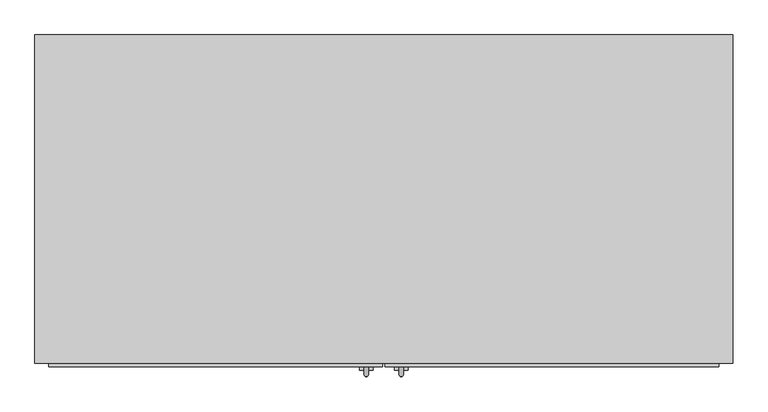
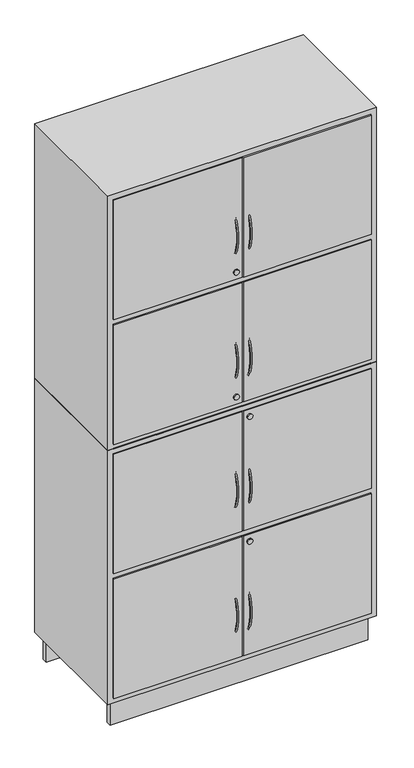
"""IFC4 building model written with IfcOpenShell, lengths in millimetres: furniture geometry."""

from ifc_helpers import new_model, si_unit, point, frame, frame_2d, origin, origin_with_axes, place, context, project, spatial, polyline, circle_curve, ellipse_curve, trimmed, segment, composite_curve, outline, extrude, faceted_brep, source, transform, mapped, element, save
from ifc_brep_helpers import plane_surface, revolved_surface, advanced_brep


def furniture_a5355870(model_context):
    return source(origin(), model_context, "Body", "SolidModel", [
        advanced_brep(
        [(-28.0, -0.3625139, 860.7580531), (-22.0, -0.3625139, 860.7580531), (-28.0, -0.3625139, 699.2419469), (-22.0, -0.3625139, 699.2419469)],
        [
            (0, 1, circle_curve(frame((-25.0, -0.3625139, 860.7580531), z_axis=(0.0, 0.49999999999998535, 0.8660254037844471), x_axis=(1.0, 0.0, 0.0)), 3.0)),
            (1, 0, circle_curve(frame((-25.0, -0.3625139, 860.7580531), z_axis=(0.0, 0.49999999999998535, 0.8660254037844471), x_axis=(1.0, 0.0, 0.0)), 3.0)),
            (2, 3, circle_curve(frame((-25.0, -0.3625139, 699.2419469), z_axis=(0.0, 0.5000000000000137, -0.8660254037844308), x_axis=(1.0, 0.0, 0.0)), 3.0)),
            (3, 2, circle_curve(frame((-25.0, -0.3625139, 699.2419469), z_axis=(0.0, 0.5000000000000137, -0.8660254037844308), x_axis=(1.0, 0.0, 0.0)), 3.0)),
            (3, 1, circle_curve(frame((-22.0, 139.5145372, 780.0), z_axis=(-1.0, 0.0, 0.0), x_axis=(0.0, -0.8660254037844471, 0.49999999999998535)), 161.5161063)),
            (0, 2, circle_curve(frame((-28.0, 139.5145372, 780.0), z_axis=(1.0, 0.0, 0.0), x_axis=(0.0, -0.8660254037844471, 0.49999999999998535)), 161.5161063)),
        ],
        [
            plane_surface(frame((0.0, -0.3625139, 860.7580531), z_axis=(0.0, 0.49999999999998535, 0.8660254037844471), x_axis=(1.0, 0.0, 0.0))),
            plane_surface(frame((0.0, -0.3625139, 699.2419469), z_axis=(0.0, 0.5000000000000135, -0.8660254037844308), x_axis=(1.0, 0.0, 0.0))),
            revolved_surface(trimmed(ellipse_curve(frame((-25.0, -0.3625139, 860.7580531), z_axis=(0.0, 0.49999999999998535, 0.8660254037844471), x_axis=(1.0, 0.0, 0.0)), 3.0, 3.0), [point((-28.0, -0.3625139, 860.7580531))], [point((-22.0, -0.3625139, 860.7580531))], True, "CARTESIAN"), (0.0, 139.5145372, 780.0), (1.0, 0.0, 0.0)),
            revolved_surface(trimmed(ellipse_curve(frame((-25.0, -0.3625139, 860.7580531), z_axis=(0.0, 0.49999999999998535, 0.8660254037844471), x_axis=(1.0, 0.0, 0.0)), 3.0, 3.0), [point((-22.0, -0.3625139, 860.7580531))], [point((-28.0, -0.3625139, 860.7580531))], True, "CARTESIAN"), (0.0, 139.5145372, 780.0), (1.0, 0.0, 0.0)),
        ],
        [
            (0, [[1, 2]]),
            (1, [[3, 4]]),
            (2, [[5, -1, 6, -4]]),
            (3, [[-6, -2, -5, -3]]),
        ],
    ),
        advanced_brep(
        [(22.0, -0.3625139, 860.7580531), (28.0, -0.3625139, 860.7580531), (22.0, -0.3625139, 699.2419469), (28.0, -0.3625139, 699.2419469)],
        [
            (0, 1, circle_curve(frame((25.0, -0.3625139, 860.7580531), z_axis=(0.0, 0.49999999999998535, 0.8660254037844471), x_axis=(1.0, 0.0, 0.0)), 3.0)),
            (1, 0, circle_curve(frame((25.0, -0.3625139, 860.7580531), z_axis=(0.0, 0.49999999999998535, 0.8660254037844471), x_axis=(1.0, 0.0, 0.0)), 3.0)),
            (2, 3, circle_curve(frame((25.0, -0.3625139, 699.2419469), z_axis=(0.0, 0.5000000000000137, -0.8660254037844308), x_axis=(1.0, 0.0, 0.0)), 3.0)),
            (3, 2, circle_curve(frame((25.0, -0.3625139, 699.2419469), z_axis=(0.0, 0.5000000000000137, -0.8660254037844308), x_axis=(1.0, 0.0, 0.0)), 3.0)),
            (3, 1, circle_curve(frame((28.0, 139.5145372, 780.0), z_axis=(-1.0, 0.0, 0.0), x_axis=(0.0, -0.8660254037844471, 0.49999999999998535)), 161.5161063)),
            (0, 2, circle_curve(frame((22.0, 139.5145372, 780.0), z_axis=(1.0, 0.0, 0.0), x_axis=(0.0, -0.8660254037844471, 0.49999999999998535)), 161.5161063)),
        ],
        [
            plane_surface(frame((0.0, -0.3625139, 860.7580531), z_axis=(0.0, 0.49999999999998535, 0.8660254037844471), x_axis=(1.0, 0.0, 0.0))),
            plane_surface(frame((0.0, -0.3625139, 699.2419469), z_axis=(0.0, 0.5000000000000135, -0.8660254037844308), x_axis=(1.0, 0.0, 0.0))),
            revolved_surface(trimmed(ellipse_curve(frame((25.0, -0.3625139, 860.7580531), z_axis=(0.0, 0.49999999999998535, 0.8660254037844471), x_axis=(1.0, 0.0, 0.0)), 3.0, 3.0), [point((22.0, -0.3625139, 860.7580531))], [point((28.0, -0.3625139, 860.7580531))], True, "CARTESIAN"), (0.0, 139.5145372, 780.0), (1.0, 0.0, 0.0)),
            revolved_surface(trimmed(ellipse_curve(frame((25.0, -0.3625139, 860.7580531), z_axis=(0.0, 0.49999999999998535, 0.8660254037844471), x_axis=(1.0, 0.0, 0.0)), 3.0, 3.0), [point((28.0, -0.3625139, 860.7580531))], [point((22.0, -0.3625139, 860.7580531))], True, "CARTESIAN"), (0.0, 139.5145372, 780.0), (1.0, 0.0, 0.0)),
        ],
        [
            (0, [[1, 2]]),
            (1, [[3, 4]]),
            (2, [[5, -1, 6, -4]]),
            (3, [[-6, -2, -5, -3]]),
        ],
    ),
        advanced_brep(
        [(-28.0, -0.3625139, 1859.7580531), (-22.0, -0.3625139, 1859.7580531), (-28.0, -0.3625139, 1698.2419469), (-22.0, -0.3625139, 1698.2419469)],
        [
            (0, 1, circle_curve(frame((-25.0, -0.3625139, 1859.7580531), z_axis=(0.0, 0.49999999999998535, 0.8660254037844471), x_axis=(1.0, 0.0, 0.0)), 3.0)),
            (1, 0, circle_curve(frame((-25.0, -0.3625139, 1859.7580531), z_axis=(0.0, 0.49999999999998535, 0.8660254037844471), x_axis=(1.0, 0.0, 0.0)), 3.0)),
            (2, 3, circle_curve(frame((-25.0, -0.3625139, 1698.2419469), z_axis=(0.0, 0.5000000000000137, -0.8660254037844308), x_axis=(1.0, 0.0, 0.0)), 3.0)),
            (3, 2, circle_curve(frame((-25.0, -0.3625139, 1698.2419469), z_axis=(0.0, 0.5000000000000137, -0.8660254037844308), x_axis=(1.0, 0.0, 0.0)), 3.0)),
            (3, 1, circle_curve(frame((-22.0, 139.5145372, 1779.0), z_axis=(-1.0, 0.0, 0.0), x_axis=(0.0, -0.8660254037844471, 0.49999999999998535)), 161.5161063)),
            (0, 2, circle_curve(frame((-28.0, 139.5145372, 1779.0), z_axis=(1.0, 0.0, 0.0), x_axis=(0.0, -0.8660254037844471, 0.49999999999998535)), 161.5161063)),
        ],
        [
            plane_surface(frame((0.0, -0.3625139, 1859.7580531), z_axis=(0.0, 0.49999999999998535, 0.8660254037844471), x_axis=(1.0, 0.0, 0.0))),
            plane_surface(frame((0.0, -0.3625139, 1698.2419469), z_axis=(0.0, 0.5000000000000135, -0.8660254037844308), x_axis=(1.0, 0.0, 0.0))),
            revolved_surface(trimmed(ellipse_curve(frame((-25.0, -0.3625139, 1859.7580531), z_axis=(0.0, 0.49999999999998535, 0.8660254037844471), x_axis=(1.0, 0.0, 0.0)), 3.0, 3.0), [point((-28.0, -0.3625139, 1859.7580531))], [point((-22.0, -0.3625139, 1859.7580531))], True, "CARTESIAN"), (0.0, 139.5145372, 1779.0), (1.0, 0.0, 0.0)),
            revolved_surface(trimmed(ellipse_curve(frame((-25.0, -0.3625139, 1859.7580531), z_axis=(0.0, 0.49999999999998535, 0.8660254037844471), x_axis=(1.0, 0.0, 0.0)), 3.0, 3.0), [point((-22.0, -0.3625139, 1859.7580531))], [point((-28.0, -0.3625139, 1859.7580531))], True, "CARTESIAN"), (0.0, 139.5145372, 1779.0), (1.0, 0.0, 0.0)),
        ],
        [
            (0, [[1, 2]]),
            (1, [[3, 4]]),
            (2, [[5, -1, 6, -4]]),
            (3, [[-6, -2, -5, -3]]),
        ],
    ),
        advanced_brep(
        [(22.0, -0.3625139, 1859.7580531), (28.0, -0.3625139, 1859.7580531), (22.0, -0.3625139, 1698.2419469), (28.0, -0.3625139, 1698.2419469)],
        [
            (0, 1, circle_curve(frame((25.0, -0.3625139, 1859.7580531), z_axis=(0.0, 0.49999999999998535, 0.8660254037844471), x_axis=(1.0, 0.0, 0.0)), 3.0)),
            (1, 0, circle_curve(frame((25.0, -0.3625139, 1859.7580531), z_axis=(0.0, 0.49999999999998535, 0.8660254037844471), x_axis=(1.0, 0.0, 0.0)), 3.0)),
            (2, 3, circle_curve(frame((25.0, -0.3625139, 1698.2419469), z_axis=(0.0, 0.5000000000000137, -0.8660254037844308), x_axis=(1.0, 0.0, 0.0)), 3.0)),
            (3, 2, circle_curve(frame((25.0, -0.3625139, 1698.2419469), z_axis=(0.0, 0.5000000000000137, -0.8660254037844308), x_axis=(1.0, 0.0, 0.0)), 3.0)),
            (3, 1, circle_curve(frame((28.0, 139.5145372, 1779.0), z_axis=(-1.0, 0.0, 0.0), x_axis=(0.0, -0.8660254037844471, 0.49999999999998535)), 161.5161063)),
            (0, 2, circle_curve(frame((22.0, 139.5145372, 1779.0), z_axis=(1.0, 0.0, 0.0), x_axis=(0.0, -0.8660254037844471, 0.49999999999998535)), 161.5161063)),
        ],
        [
            plane_surface(frame((0.0, -0.3625139, 1859.7580531), z_axis=(0.0, 0.49999999999998535, 0.8660254037844471), x_axis=(1.0, 0.0, 0.0))),
            plane_surface(frame((0.0, -0.3625139, 1698.2419469), z_axis=(0.0, 0.5000000000000135, -0.8660254037844308), x_axis=(1.0, 0.0, 0.0))),
            revolved_surface(trimmed(ellipse_curve(frame((25.0, -0.3625139, 1859.7580531), z_axis=(0.0, 0.49999999999998535, 0.8660254037844471), x_axis=(1.0, 0.0, 0.0)), 3.0, 3.0), [point((22.0, -0.3625139, 1859.7580531))], [point((28.0, -0.3625139, 1859.7580531))], True, "CARTESIAN"), (0.0, 139.5145372, 1779.0), (1.0, 0.0, 0.0)),
            revolved_surface(trimmed(ellipse_curve(frame((25.0, -0.3625139, 1859.7580531), z_axis=(0.0, 0.49999999999998535, 0.8660254037844471), x_axis=(1.0, 0.0, 0.0)), 3.0, 3.0), [point((28.0, -0.3625139, 1859.7580531))], [point((22.0, -0.3625139, 1859.7580531))], True, "CARTESIAN"), (0.0, 139.5145372, 1779.0), (1.0, 0.0, 0.0)),
        ],
        [
            (0, [[1, 2]]),
            (1, [[3, 4]]),
            (2, [[5, -1, 6, -4]]),
            (3, [[-6, -2, -5, -3]]),
        ],
    ),
        advanced_brep(
        [(-28.0, -0.3625139, 1368.7580531), (-22.0, -0.3625139, 1368.7580531), (-28.0, -0.3625139, 1207.2419469), (-22.0, -0.3625139, 1207.2419469)],
        [
            (0, 1, circle_curve(frame((-25.0, -0.3625139, 1368.7580531), z_axis=(0.0, 0.49999999999998535, 0.8660254037844471), x_axis=(1.0, 0.0, 0.0)), 3.0)),
            (1, 0, circle_curve(frame((-25.0, -0.3625139, 1368.7580531), z_axis=(0.0, 0.49999999999998535, 0.8660254037844471), x_axis=(1.0, 0.0, 0.0)), 3.0)),
            (2, 3, circle_curve(frame((-25.0, -0.3625139, 1207.2419469), z_axis=(0.0, 0.5000000000000137, -0.8660254037844308), x_axis=(1.0, 0.0, 0.0)), 3.0)),
            (3, 2, circle_curve(frame((-25.0, -0.3625139, 1207.2419469), z_axis=(0.0, 0.5000000000000137, -0.8660254037844308), x_axis=(1.0, 0.0, 0.0)), 3.0)),
            (3, 1, circle_curve(frame((-22.0, 139.5145372, 1288.0), z_axis=(-1.0, 0.0, 0.0), x_axis=(0.0, -0.8660254037844471, 0.49999999999998535)), 161.5161063)),
            (0, 2, circle_curve(frame((-28.0, 139.5145372, 1288.0), z_axis=(1.0, 0.0, 0.0), x_axis=(0.0, -0.8660254037844471, 0.49999999999998535)), 161.5161063)),
        ],
        [
            plane_surface(frame((0.0, -0.3625139, 1368.7580531), z_axis=(0.0, 0.49999999999998535, 0.8660254037844471), x_axis=(1.0, 0.0, 0.0))),
            plane_surface(frame((0.0, -0.3625139, 1207.2419469), z_axis=(0.0, 0.5000000000000135, -0.8660254037844308), x_axis=(1.0, 0.0, 0.0))),
            revolved_surface(trimmed(ellipse_curve(frame((-25.0, -0.3625139, 1368.7580531), z_axis=(0.0, 0.49999999999998535, 0.8660254037844471), x_axis=(1.0, 0.0, 0.0)), 3.0, 3.0), [point((-28.0, -0.3625139, 1368.7580531))], [point((-22.0, -0.3625139, 1368.7580531))], True, "CARTESIAN"), (0.0, 139.5145372, 1288.0), (1.0, 0.0, 0.0)),
            revolved_surface(trimmed(ellipse_curve(frame((-25.0, -0.3625139, 1368.7580531), z_axis=(0.0, 0.49999999999998535, 0.8660254037844471), x_axis=(1.0, 0.0, 0.0)), 3.0, 3.0), [point((-22.0, -0.3625139, 1368.7580531))], [point((-28.0, -0.3625139, 1368.7580531))], True, "CARTESIAN"), (0.0, 139.5145372, 1288.0), (1.0, 0.0, 0.0)),
        ],
        [
            (0, [[1, 2]]),
            (1, [[3, 4]]),
            (2, [[5, -1, 6, -4]]),
            (3, [[-6, -2, -5, -3]]),
        ],
    ),
        advanced_brep(
        [(22.0, -0.3625139, 1368.7580531), (28.0, -0.3625139, 1368.7580531), (22.0, -0.3625139, 1207.2419469), (28.0, -0.3625139, 1207.2419469)],
        [
            (0, 1, circle_curve(frame((25.0, -0.3625139, 1368.7580531), z_axis=(0.0, 0.49999999999998535, 0.8660254037844471), x_axis=(1.0, 0.0, 0.0)), 3.0)),
            (1, 0, circle_curve(frame((25.0, -0.3625139, 1368.7580531), z_axis=(0.0, 0.49999999999998535, 0.8660254037844471), x_axis=(1.0, 0.0, 0.0)), 3.0)),
            (2, 3, circle_curve(frame((25.0, -0.3625139, 1207.2419469), z_axis=(0.0, 0.5000000000000137, -0.8660254037844308), x_axis=(1.0, 0.0, 0.0)), 3.0)),
            (3, 2, circle_curve(frame((25.0, -0.3625139, 1207.2419469), z_axis=(0.0, 0.5000000000000137, -0.8660254037844308), x_axis=(1.0, 0.0, 0.0)), 3.0)),
            (3, 1, circle_curve(frame((28.0, 139.5145372, 1288.0), z_axis=(-1.0, 0.0, 0.0), x_axis=(0.0, -0.8660254037844471, 0.49999999999998535)), 161.5161063)),
            (0, 2, circle_curve(frame((22.0, 139.5145372, 1288.0), z_axis=(1.0, 0.0, 0.0), x_axis=(0.0, -0.8660254037844471, 0.49999999999998535)), 161.5161063)),
        ],
        [
            plane_surface(frame((0.0, -0.3625139, 1368.7580531), z_axis=(0.0, 0.49999999999998535, 0.8660254037844471), x_axis=(1.0, 0.0, 0.0))),
            plane_surface(frame((0.0, -0.3625139, 1207.2419469), z_axis=(0.0, 0.5000000000000135, -0.8660254037844308), x_axis=(1.0, 0.0, 0.0))),
            revolved_surface(trimmed(ellipse_curve(frame((25.0, -0.3625139, 1368.7580531), z_axis=(0.0, 0.49999999999998535, 0.8660254037844471), x_axis=(1.0, 0.0, 0.0)), 3.0, 3.0), [point((22.0, -0.3625139, 1368.7580531))], [point((28.0, -0.3625139, 1368.7580531))], True, "CARTESIAN"), (0.0, 139.5145372, 1288.0), (1.0, 0.0, 0.0)),
            revolved_surface(trimmed(ellipse_curve(frame((25.0, -0.3625139, 1368.7580531), z_axis=(0.0, 0.49999999999998535, 0.8660254037844471), x_axis=(1.0, 0.0, 0.0)), 3.0, 3.0), [point((28.0, -0.3625139, 1368.7580531))], [point((22.0, -0.3625139, 1368.7580531))], True, "CARTESIAN"), (0.0, 139.5145372, 1288.0), (1.0, 0.0, 0.0)),
        ],
        [
            (0, [[1, 2]]),
            (1, [[3, 4]]),
            (2, [[5, -1, 6, -4]]),
            (3, [[-6, -2, -5, -3]]),
        ],
    ),
        advanced_brep(
        [(-28.0, -0.3625139, 369.7580531), (-22.0, -0.3625139, 369.7580531), (-28.0, -0.3625139, 208.2419469), (-22.0, -0.3625139, 208.2419469)],
        [
            (0, 1, circle_curve(frame((-25.0, -0.3625139, 369.7580531), z_axis=(0.0, 0.49999999999998535, 0.8660254037844471), x_axis=(1.0, 0.0, 0.0)), 3.0)),
            (1, 0, circle_curve(frame((-25.0, -0.3625139, 369.7580531), z_axis=(0.0, 0.49999999999998535, 0.8660254037844471), x_axis=(1.0, 0.0, 0.0)), 3.0)),
            (2, 3, circle_curve(frame((-25.0, -0.3625139, 208.2419469), z_axis=(0.0, 0.5000000000000137, -0.8660254037844308), x_axis=(1.0, 0.0, 0.0)), 3.0)),
            (3, 2, circle_curve(frame((-25.0, -0.3625139, 208.2419469), z_axis=(0.0, 0.5000000000000137, -0.8660254037844308), x_axis=(1.0, 0.0, 0.0)), 3.0)),
            (3, 1, circle_curve(frame((-22.0, 139.5145372, 289.0), z_axis=(-1.0, 0.0, 0.0), x_axis=(0.0, -0.8660254037844471, 0.49999999999998535)), 161.5161063)),
            (0, 2, circle_curve(frame((-28.0, 139.5145372, 289.0), z_axis=(1.0, 0.0, 0.0), x_axis=(0.0, -0.8660254037844471, 0.49999999999998535)), 161.5161063)),
        ],
        [
            plane_surface(frame((0.0, -0.3625139, 369.7580531), z_axis=(0.0, 0.49999999999998535, 0.8660254037844471), x_axis=(1.0, 0.0, 0.0))),
            plane_surface(frame((0.0, -0.3625139, 208.2419469), z_axis=(0.0, 0.5000000000000135, -0.8660254037844308), x_axis=(1.0, 0.0, 0.0))),
            revolved_surface(trimmed(ellipse_curve(frame((-25.0, -0.3625139, 369.7580531), z_axis=(0.0, 0.49999999999998535, 0.8660254037844471), x_axis=(1.0, 0.0, 0.0)), 3.0, 3.0), [point((-28.0, -0.3625139, 369.7580531))], [point((-22.0, -0.3625139, 369.7580531))], True, "CARTESIAN"), (0.0, 139.5145372, 289.0), (1.0, 0.0, 0.0)),
            revolved_surface(trimmed(ellipse_curve(frame((-25.0, -0.3625139, 369.7580531), z_axis=(0.0, 0.49999999999998535, 0.8660254037844471), x_axis=(1.0, 0.0, 0.0)), 3.0, 3.0), [point((-22.0, -0.3625139, 369.7580531))], [point((-28.0, -0.3625139, 369.7580531))], True, "CARTESIAN"), (0.0, 139.5145372, 289.0), (1.0, 0.0, 0.0)),
        ],
        [
            (0, [[1, 2]]),
            (1, [[3, 4]]),
            (2, [[5, -1, 6, -4]]),
            (3, [[-6, -2, -5, -3]]),
        ],
    ),
        advanced_brep(
        [(22.0, -0.3625139, 369.7580531), (28.0, -0.3625139, 369.7580531), (22.0, -0.3625139, 208.2419469), (28.0, -0.3625139, 208.2419469)],
        [
            (0, 1, circle_curve(frame((25.0, -0.3625139, 369.7580531), z_axis=(0.0, 0.49999999999998535, 0.8660254037844471), x_axis=(1.0, 0.0, 0.0)), 3.0)),
            (1, 0, circle_curve(frame((25.0, -0.3625139, 369.7580531), z_axis=(0.0, 0.49999999999998535, 0.8660254037844471), x_axis=(1.0, 0.0, 0.0)), 3.0)),
            (2, 3, circle_curve(frame((25.0, -0.3625139, 208.2419469), z_axis=(0.0, 0.5000000000000137, -0.8660254037844308), x_axis=(1.0, 0.0, 0.0)), 3.0)),
            (3, 2, circle_curve(frame((25.0, -0.3625139, 208.2419469), z_axis=(0.0, 0.5000000000000137, -0.8660254037844308), x_axis=(1.0, 0.0, 0.0)), 3.0)),
            (3, 1, circle_curve(frame((28.0, 139.5145372, 289.0), z_axis=(-1.0, 0.0, 0.0), x_axis=(0.0, -0.8660254037844471, 0.49999999999998535)), 161.5161063)),
            (0, 2, circle_curve(frame((22.0, 139.5145372, 289.0), z_axis=(1.0, 0.0, 0.0), x_axis=(0.0, -0.8660254037844471, 0.49999999999998535)), 161.5161063)),
        ],
        [
            plane_surface(frame((0.0, -0.3625139, 369.7580531), z_axis=(0.0, 0.49999999999998535, 0.8660254037844471), x_axis=(1.0, 0.0, 0.0))),
            plane_surface(frame((0.0, -0.3625139, 208.2419469), z_axis=(0.0, 0.5000000000000135, -0.8660254037844308), x_axis=(1.0, 0.0, 0.0))),
            revolved_surface(trimmed(ellipse_curve(frame((25.0, -0.3625139, 369.7580531), z_axis=(0.0, 0.49999999999998535, 0.8660254037844471), x_axis=(1.0, 0.0, 0.0)), 3.0, 3.0), [point((22.0, -0.3625139, 369.7580531))], [point((28.0, -0.3625139, 369.7580531))], True, "CARTESIAN"), (0.0, 139.5145372, 289.0), (1.0, 0.0, 0.0)),
            revolved_surface(trimmed(ellipse_curve(frame((25.0, -0.3625139, 369.7580531), z_axis=(0.0, 0.49999999999998535, 0.8660254037844471), x_axis=(1.0, 0.0, 0.0)), 3.0, 3.0), [point((28.0, -0.3625139, 369.7580531))], [point((22.0, -0.3625139, 369.7580531))], True, "CARTESIAN"), (0.0, 139.5145372, 289.0), (1.0, 0.0, 0.0)),
        ],
        [
            (0, [[1, 2]]),
            (1, [[3, 4]]),
            (2, [[5, -1, 6, -4]]),
            (3, [[-6, -2, -5, -3]]),
        ],
    ),
        faceted_brep([(-480.0, 452.9252377, 1097.5), (480.0, 452.9252377, 1097.5), (480.0, 452.9252377, 1100.0), (-480.0, 452.9252377, 1100.0), (-480.0, -5.0, 1097.5), (-480.0, -5.0, 1100.0), (480.0, -5.0, 1097.5), (480.0, -5.0, 1100.0), (500.0, 465.0, 1100.0), (-500.0, 465.0, 1100.0), (-500.0, -5.0, 1100.0), (500.0, -5.0, 1100.0), (500.0, 465.0, 100.0), (500.0, -5.0, 100.0), (-500.0, -5.0, 100.0), (-500.0, 465.0, 100.0), (-480.0018728, -5.0, 119.875), (-480.0018728, -5.0, 589.875), (479.9981272, -5.0, 589.875), (479.9981272, -5.0, 119.875), (479.9981272, -5.0, 610.875), (-480.0018728, -5.0, 610.875), (-480.0018728, -5.0, 1080.875), (479.9981272, -5.0, 1080.875), (-450.0, 452.9252377, 589.875), (-450.0, 452.9252377, 119.875), (450.0, 452.9252377, 119.875), (450.0, 452.9252377, 589.875), (-450.0, 445.0, 589.875), (-450.0, 445.0, 119.875), (-480.0018728, 445.0, 119.875), (479.9981272, 445.0, 119.875), (450.0, 445.0, 119.875), (450.0, 445.0, 589.875), (479.9981272, 445.0, 589.875), (-480.0018728, 445.0, 589.875), (-450.0, 452.9252377, 1080.875), (-450.0, 452.9252377, 610.875), (450.0, 452.9252377, 610.875), (450.0, 452.9252377, 1080.875), (-450.0, 445.0, 1080.875), (-450.0, 445.0, 610.875), (-480.0018728, 445.0, 610.875), (479.9981272, 445.0, 610.875), (450.0, 445.0, 610.875), (450.0, 445.0, 1080.875), (479.9981272, 445.0, 1080.875), (-480.0018728, 445.0, 1080.875)], [[[0, 1, 2, 3]], [[4, 0, 3, 5]], [[1, 0, 4, 6]], [[1, 6, 7, 2]], [[8, 9, 10, 5, 3, 2, 7, 11]], [[12, 13, 14, 15]], [[9, 8, 12, 15]], [[10, 9, 15, 14]], [[14, 13, 11, 7, 6, 4, 5, 10], [16, 17, 18, 19], [20, 21, 22, 23]], [[8, 11, 13, 12]], [[24, 25, 26, 27]], [[25, 24, 28, 29]], [[26, 25, 29, 30, 16, 19, 31, 32]], [[27, 26, 32, 33]], [[24, 27, 33, 34, 18, 17, 35, 28]], [[36, 37, 38, 39]], [[37, 36, 40, 41]], [[38, 37, 41, 42, 21, 20, 43, 44]], [[39, 38, 44, 45]], [[36, 39, 45, 46, 23, 22, 47, 40]], [[35, 30, 29, 28]], [[34, 33, 32, 31]], [[30, 35, 17, 16]], [[34, 31, 19, 18]], [[47, 42, 41, 40]], [[46, 45, 44, 43]], [[42, 47, 22, 21]], [[46, 43, 20, 23]]]),
        extrude(outline(polyline([(480.0, 425.0), (-480.0, 425.0), (-480.0, 445.0), (480.0, 445.0), (480.0, 425.0)])), origin_with_axes(), (0.0, 0.0, 1.0), 100.0),
        extrude(outline(polyline([(480.0, 35.0), (480.0, 15.0), (-480.0, 15.0), (-480.0, 35.0), (480.0, 35.0)])), origin_with_axes(), (0.0, 0.0, 1.0), 100.0),
        extrude(outline(composite_curve([segment(trimmed(circle_curve(frame_2d((1639.9306853, -25.0)), 9.75), [point((1639.9306853, -34.75))], [point((1639.9306853, -15.25))], False, "CARTESIAN"), True, "CONTINUOUS"), segment(trimmed(circle_curve(frame_2d((1639.9306853, -25.0)), 9.75), [point((1639.9306853, -15.25))], [point((1639.9306853, -34.75))], False, "CARTESIAN"), True, "CONTINUOUS")], self_intersect=False)), frame((0.0, -15.0, 0.0), z_axis=(0.0, 1.0, 0.0), x_axis=(0.0, 0.0, 1.0)), (0.0, 0.0, 1.0), 5.0),
        extrude(outline(composite_curve([segment(trimmed(circle_curve(frame_2d((1148.9306853, -25.0)), 9.75), [point((1148.9306853, -34.75))], [point((1148.9306853, -15.25))], False, "CARTESIAN"), True, "CONTINUOUS"), segment(trimmed(circle_curve(frame_2d((1148.9306853, -25.0)), 9.75), [point((1148.9306853, -15.25))], [point((1148.9306853, -34.75))], False, "CARTESIAN"), True, "CONTINUOUS")], self_intersect=False)), frame((0.0, -15.0, 0.0), z_axis=(0.0, 1.0, 0.0), x_axis=(0.0, 0.0, 1.0)), (0.0, 0.0, 1.0), 5.0),
        extrude(outline(composite_curve([segment(trimmed(circle_curve(frame_2d((1054.9306853, 25.0)), 9.75), [point((1054.9306853, 15.25))], [point((1054.9306853, 34.75))], False, "CARTESIAN"), True, "CONTINUOUS"), segment(trimmed(circle_curve(frame_2d((1054.9306853, 25.0)), 9.75), [point((1054.9306853, 34.75))], [point((1054.9306853, 15.25))], False, "CARTESIAN"), True, "CONTINUOUS")], self_intersect=False)), frame((0.0, -15.0, 0.0), z_axis=(0.0, 1.0, 0.0), x_axis=(0.0, 0.0, 1.0)), (0.0, 0.0, 1.0), 5.0),
        extrude(outline(composite_curve([segment(trimmed(circle_curve(frame_2d((563.9306853, 25.0)), 9.75), [point((563.9306853, 15.25))], [point((563.9306853, 34.75))], False, "CARTESIAN"), True, "CONTINUOUS"), segment(trimmed(circle_curve(frame_2d((563.9306853, 25.0)), 9.75), [point((563.9306853, 34.75))], [point((563.9306853, 15.25))], False, "CARTESIAN"), True, "CONTINUOUS")], self_intersect=False)), frame((0.0, -15.0, 0.0), z_axis=(0.0, 1.0, 0.0), x_axis=(0.0, 0.0, 1.0)), (0.0, 0.0, 1.0), 5.0),
        extrude(outline(polyline([(-2.0, -10.0), (-480.0, -10.0), (-480.0, -5.0), (-2.0, -5.0), (-2.0, -10.0)])), frame((0.0, 0.0, 1609.875), z_axis=(0.0, 0.0, 1.0), x_axis=(1.0, 0.0, 0.0)), (0.0, 0.0, 1.0), 470.0),
        extrude(outline(polyline([(480.0, -10.0), (2.0, -10.0), (2.0, -5.0), (480.0, -5.0), (480.0, -10.0)])), frame((0.0, 0.0, 1609.875), z_axis=(0.0, 0.0, 1.0), x_axis=(1.0, 0.0, 0.0)), (0.0, 0.0, 1.0), 470.0),
        extrude(outline(polyline([(-2.0, -10.0), (-480.0, -10.0), (-480.0, -5.0), (-2.0, -5.0), (-2.0, -10.0)])), frame((0.0, 0.0, 1118.875), z_axis=(0.0, 0.0, 1.0), x_axis=(1.0, 0.0, 0.0)), (0.0, 0.0, 1.0), 470.0),
        extrude(outline(polyline([(480.0, -10.0), (2.0, -10.0), (2.0, -5.0), (480.0, -5.0), (480.0, -10.0)])), frame((0.0, 0.0, 1118.875), z_axis=(0.0, 0.0, 1.0), x_axis=(1.0, 0.0, 0.0)), (0.0, 0.0, 1.0), 470.0),
        extrude(outline(polyline([(-2.0, -10.0), (-480.0, -10.0), (-480.0, -5.0), (-2.0, -5.0), (-2.0, -10.0)])), frame((0.0, 0.0, 119.875), z_axis=(0.0, 0.0, 1.0), x_axis=(1.0, 0.0, 0.0)), (0.0, 0.0, 1.0), 470.0),
        extrude(outline(polyline([(480.0, -10.0), (2.0, -10.0), (2.0, -5.0), (480.0, -5.0), (480.0, -10.0)])), frame((0.0, 0.0, 119.875), z_axis=(0.0, 0.0, 1.0), x_axis=(1.0, 0.0, 0.0)), (0.0, 0.0, 1.0), 470.0),
        extrude(outline(polyline([(-2.0, -10.0), (-480.0, -10.0), (-480.0, -5.0), (-2.0, -5.0), (-2.0, -10.0)])), frame((0.0, 0.0, 610.875), z_axis=(0.0, 0.0, 1.0), x_axis=(1.0, 0.0, 0.0)), (0.0, 0.0, 1.0), 470.0),
        extrude(outline(polyline([(480.0, -10.0), (2.0, -10.0), (2.0, -5.0), (480.0, -5.0), (480.0, -10.0)])), frame((0.0, 0.0, 610.875), z_axis=(0.0, 0.0, 1.0), x_axis=(1.0, 0.0, 0.0)), (0.0, 0.0, 1.0), 470.0),
        faceted_brep([(500.0, 465.0, 2100.0), (-500.0, 465.0, 2100.0), (-500.0, -5.0, 2100.0), (500.0, -5.0, 2100.0), (500.0, 465.0, 1100.0), (500.0, -5.0, 1100.0), (480.0, -5.0, 1100.0), (480.0, 452.9252377, 1100.0), (-480.0, 452.9252377, 1100.0), (-480.0, -5.0, 1100.0), (-500.0, -5.0, 1100.0), (-500.0, 465.0, 1100.0), (-480.0, -5.0, 1102.5), (480.0, -5.0, 1102.5), (-480.0018728, -5.0, 1118.875), (-480.0018728, -5.0, 1589.0), (479.9981272, -5.0, 1589.0), (479.9981272, -5.0, 1118.875), (-480.0018728, -5.0, 2080.0), (479.9981272, -5.0, 2080.0), (479.9981272, -5.0, 1609.875), (-480.0018728, -5.0, 1609.875), (480.0, 452.9252377, 1102.5), (-480.0, 452.9252377, 1102.5), (-450.0, 452.9252377, 1589.0), (-450.0, 452.9252377, 1118.875), (450.0, 452.9252377, 1118.875), (450.0, 452.9252377, 1589.0), (-450.0, 445.0, 1589.0), (-450.0, 445.0, 1118.875), (450.0, 445.0, 1589.0), (479.9981272, 445.0, 1589.0), (-480.0018728, 445.0, 1589.0), (-480.0018728, 445.0, 1118.875), (479.9981272, 445.0, 1118.875), (450.0, 445.0, 1118.875), (-450.0, 452.9252377, 2080.0), (-450.0, 452.9252377, 1609.875), (450.0, 452.9252377, 1609.875), (450.0, 452.9252377, 2080.0), (-450.0, 445.0, 2080.0), (-450.0, 445.0, 1609.875), (450.0, 445.0, 2080.0), (479.9981272, 445.0, 2080.0), (-480.0018728, 445.0, 2080.0), (-480.0018728, 445.0, 1609.875), (479.9981272, 445.0, 1609.875), (450.0, 445.0, 1609.875)], [[[0, 1, 2, 3]], [[4, 5, 6, 7, 8, 9, 10, 11]], [[1, 0, 4, 11]], [[2, 1, 11, 10]], [[3, 2, 10, 9, 12, 13, 6, 5], [14, 15, 16, 17], [18, 19, 20, 21]], [[0, 3, 5, 4]], [[22, 23, 8, 7]], [[23, 22, 13, 12]], [[23, 12, 9, 8]], [[13, 22, 7, 6]], [[24, 25, 26, 27]], [[25, 24, 28, 29]], [[24, 27, 30, 31, 16, 15, 32, 28]], [[26, 25, 29, 33, 14, 17, 34, 35]], [[27, 26, 35, 30]], [[36, 37, 38, 39]], [[37, 36, 40, 41]], [[36, 39, 42, 43, 19, 18, 44, 40]], [[38, 37, 41, 45, 21, 20, 46, 47]], [[39, 38, 47, 42]], [[28, 32, 33, 29]], [[35, 34, 31, 30]], [[33, 32, 15, 14]], [[31, 34, 17, 16]], [[40, 44, 45, 41]], [[47, 46, 43, 42]], [[45, 44, 18, 21]], [[43, 46, 20, 19]]]),
    ])


if __name__ == "__main__":
    model = new_model("IFC4")
    model_context = context("Model", 3, world=origin())
    ifc_project = project(units=[si_unit("LENGTHUNIT", "METRE", prefix="MILLI")], contexts=[model_context])
    site = spatial("IfcSite", under=ifc_project)
    building = spatial("IfcBuilding", under=site)
    placement = place(None, origin())
    furniture_shape = furniture_a5355870(model_context)
    element("IfcFurniture", 1, at=placement, inside=building, context=model_context, shape_type="MappedRepresentation", body=[
        mapped(furniture_shape, transform((0.0, 0.0, 0.0), x_axis=(1.0, 0.0, 0.0), y_axis=(0.0, 1.0, 0.0), z_axis=(0.0, 0.0, 1.0))),
    ])
    save(model, "model.ifc")
